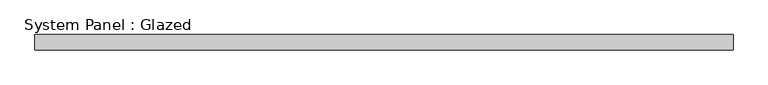
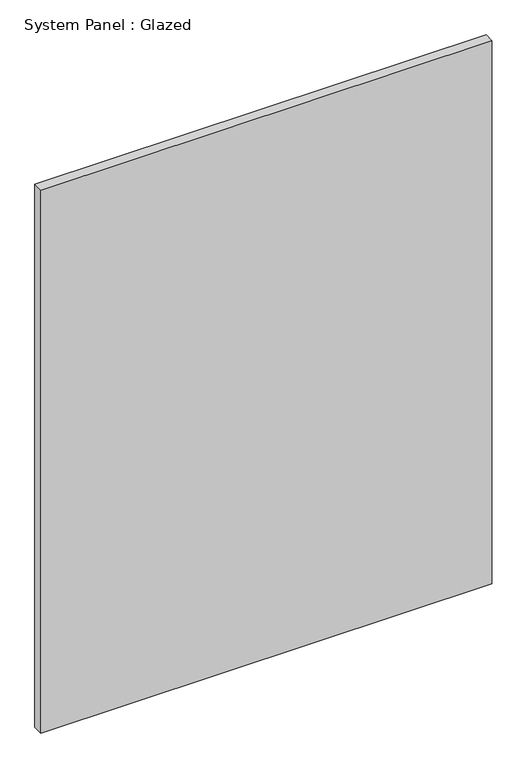
"""IFC4 building model written with IfcOpenShell, lengths in millimetres: plate geometry, System Panel : Glazed."""

from ifc_helpers import new_model, si_unit, origin, origin_with_axes, place, context, project, spatial, polyline, outline, extrude, source, transform, mapped, element, save


def system_panel_glazed_98525211(model_context):
    return source(origin(), model_context, "Body", "SweptSolid", [
        extrude(outline(polyline([(574.0399999, 19.05), (-574.0399999, 19.05), (-574.0399999, 44.45), (574.0399999, 44.45), (574.0399999, 19.05)])), origin_with_axes(), (0.0, 0.0, 1.0), 1460.5),
    ])


if __name__ == "__main__":
    model = new_model("IFC4")
    model_context = context("Model", 3, world=origin())
    ifc_project = project(units=[si_unit("LENGTHUNIT", "METRE", prefix="MILLI")], contexts=[model_context])
    site = spatial("IfcSite", under=ifc_project)
    building = spatial("IfcBuilding", under=site)
    placement = place(None, origin())
    system_panel_glazed_shape = system_panel_glazed_98525211(model_context)
    element("IfcPlate", 1, ObjectType="System Panel : Glazed", at=placement, inside=building, context=model_context, shape_type="MappedRepresentation", body=[
        mapped(system_panel_glazed_shape, transform((0.0, 0.0, 0.0), x_axis=(1.0, 0.0, 0.0), y_axis=(0.0, 1.0, 0.0), z_axis=(0.0, 0.0, 1.0))),
    ])
    save(model, "model.ifc")
